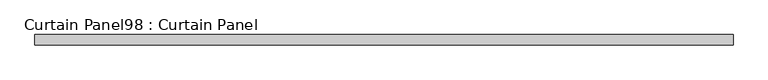
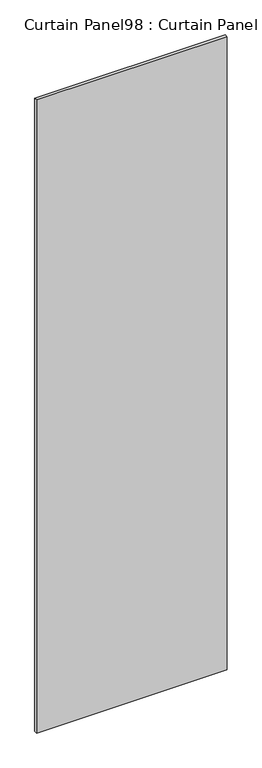
"""IFC4 building model written with IfcOpenShell, lengths in millimetres: plate geometry, Curtain Panel98 : Curtain Panel."""

from ifc_helpers import new_model, si_unit, frame, origin, place, context, project, spatial, polyline, outline, extrude, source, transform, mapped, element, save


def curtain_panel98_curtain_panel_6de4a18b(model_context):
    return source(origin(), model_context, "Body", "SweptSolid", [
        extrude(outline(polyline([(218172.9386393, 2341.4234836), (216434.2703264, 2341.4234836), (216434.2703264, 2366.8234836), (218172.9386393, 2366.8234836), (218172.9386393, 2341.4234836)])), frame((0.0, 0.0, 4914.2249337), z_axis=(0.0, 0.0, 1.0), x_axis=(1.0, 0.0, 0.0)), (0.0, 0.0, 1.0), 6096.0),
    ])


if __name__ == "__main__":
    model = new_model("IFC4")
    model_context = context("Model", 3, world=origin())
    ifc_project = project(units=[si_unit("LENGTHUNIT", "METRE", prefix="MILLI")], contexts=[model_context])
    site = spatial("IfcSite", under=ifc_project)
    building = spatial("IfcBuilding", under=site)
    placement = place(None, origin())
    curtain_panel98_curtain_panel_shape = curtain_panel98_curtain_panel_6de4a18b(model_context)
    element("IfcPlate", 1, ObjectType="Curtain Panel98 : Curtain Panel", at=placement, inside=building, context=model_context, shape_type="MappedRepresentation", body=[
        mapped(curtain_panel98_curtain_panel_shape, transform((0.0, 0.0, 0.0), x_axis=(1.0, 0.0, 0.0), y_axis=(0.0, 1.0, 0.0), z_axis=(0.0, 0.0, 1.0))),
    ])
    save(model, "model.ifc")
